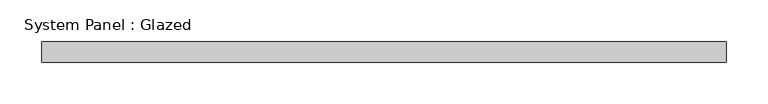
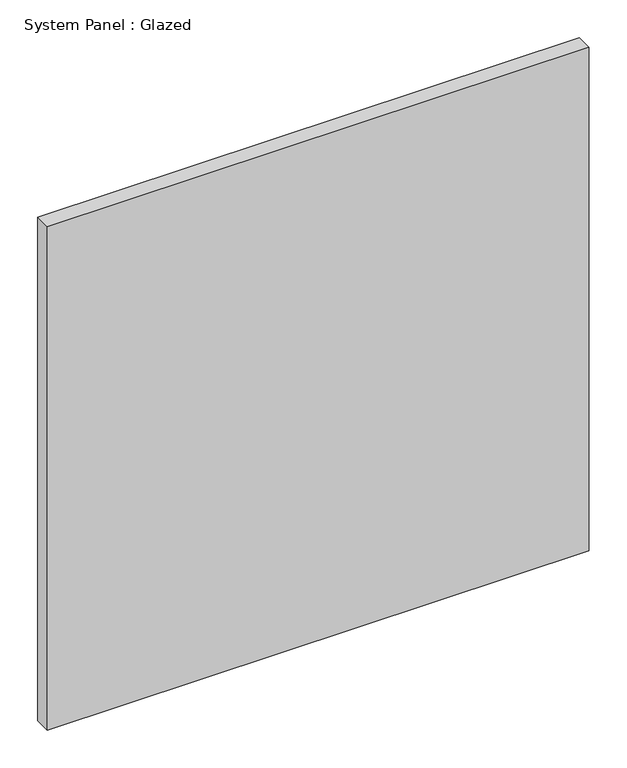
"""IFC4 building model written with IfcOpenShell, lengths in millimetres: plate geometry, System Panel : Glazed."""

from ifc_helpers import new_model, si_unit, origin, origin_with_axes, place, context, project, spatial, polyline, outline, extrude, source, transform, mapped, element, save


def system_panel_glazed_a312f9f3(model_context):
    return source(origin(), model_context, "Body", "SweptSolid", [
        extrude(outline(polyline([(412.5, 24.5), (-412.5, 24.5), (-412.5, 49.5), (412.5, 49.5), (412.5, 24.5)])), origin_with_axes(), (0.0, 0.0, 1.0), 810.0),
    ])


if __name__ == "__main__":
    model = new_model("IFC4")
    model_context = context("Model", 3, world=origin())
    ifc_project = project(units=[si_unit("LENGTHUNIT", "METRE", prefix="MILLI")], contexts=[model_context])
    site = spatial("IfcSite", under=ifc_project)
    building = spatial("IfcBuilding", under=site)
    placement = place(None, origin())
    system_panel_glazed_shape = system_panel_glazed_a312f9f3(model_context)
    element("IfcPlate", 1, ObjectType="System Panel : Glazed", at=placement, inside=building, context=model_context, shape_type="MappedRepresentation", body=[
        mapped(system_panel_glazed_shape, transform((0.0, 0.0, 0.0), x_axis=(1.0, 0.0, 0.0), y_axis=(0.0, 1.0, 0.0), z_axis=(0.0, 0.0, 1.0))),
    ])
    save(model, "model.ifc")
